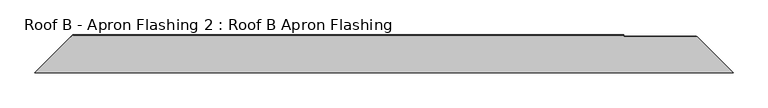
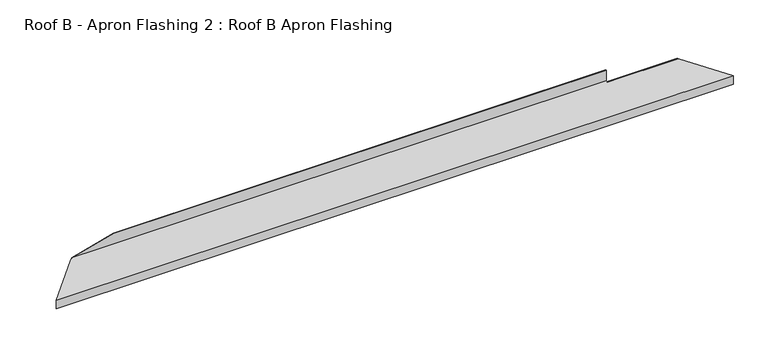
"""IFC4 building model written with IfcOpenShell, lengths in millimetres: proxy geometry, Roof B - Apron Flashing 2 : Roof B Apron Flashing."""

from ifc_helpers import new_model, si_unit, origin, place, context, project, spatial, faceted_brep, source, transform, mapped, element, save


def roof_b_apron_flashing_2_roof_b_apron_flashing_a2a067a0(model_context):
    return source(origin(), model_context, "Body", "Brep", [
        faceted_brep([(152.5949249, -3915.5534225, 3495.6588838), (351.9679069, -3716.1804406, 3549.0807133), (3270.0, -3716.1804406, 3549.0807133), (3270.0, -3722.5045852, 3547.3861639), (3654.3562378, -3722.5045852, 3547.3861639), (3847.4050751, -3915.5534225, 3495.6588838), (351.9679069, -3716.1804406, 3549.8945026), (580.5163547, -3716.1804406, 3611.1338746), (3270.0, -3716.1804406, 3611.1338746), (3270.0, -3717.1804406, 3611.1338746), (580.5163547, -3717.1804406, 3611.1338746), (3270.0, -3717.1804406, 3549.8480403), (351.7945073, -3717.1804406, 3549.8480403), (151.5949249, -3916.5534225, 3496.4262108), (3848.4050751, -3916.5534225, 3496.4262108), (3658.2199411, -3726.3682885, 3547.3861639), (3270.0, -3726.3682885, 3547.3861639), (334.5139863, -3734.4609616, 3545.2177387), (334.5139863, -3733.6343611, 3545.4392256), (151.5949249, -3916.5534225, 3446.4262108), (3848.4050751, -3916.5534225, 3446.4262108), (152.5949249, -3915.5534225, 3446.4262108), (3847.4050751, -3915.5534225, 3446.4262108), (334.5139863, -3733.6343611, 3545.2177387)], [[[0, 1, 2, 3, 4, 5]], [[2, 1, 6, 7, 8]], [[9, 8, 7, 10]], [[11, 9, 10, 12]], [[13, 14, 15, 16, 11, 12, 17, 18]], [[13, 19, 20, 14]], [[19, 21, 22, 20]], [[21, 0, 5, 22]], [[1, 0, 21, 19, 13, 18, 23, 6]], [[14, 20, 22, 5, 4, 15]], [[3, 16, 15, 4]], [[16, 3, 2, 8, 9, 11]], [[23, 17, 12, 10, 7, 6]], [[17, 23, 18]]]),
    ])


if __name__ == "__main__":
    model = new_model("IFC4")
    model_context = context("Model", 3, world=origin())
    ifc_project = project(units=[si_unit("LENGTHUNIT", "METRE", prefix="MILLI")], contexts=[model_context])
    site = spatial("IfcSite", under=ifc_project)
    building = spatial("IfcBuilding", under=site)
    placement = place(None, origin())
    roof_b_apron_flashing_2_roof_b_apron_flashing_shape = roof_b_apron_flashing_2_roof_b_apron_flashing_a2a067a0(model_context)
    element("IfcBuildingElementProxy", 1, Name="Roof B - Apron Flashing 2 : Roof B Apron Flashing", ObjectType="Roof B - Apron Flashing 2 : Roof B Apron Flashing", at=placement, inside=building, context=model_context, shape_type="MappedRepresentation", body=[
        mapped(roof_b_apron_flashing_2_roof_b_apron_flashing_shape, transform((0.0, 0.0, 0.0), x_axis=(1.0, 0.0, 0.0), y_axis=(0.0, 1.0, 0.0), z_axis=(0.0, 0.0, 1.0))),
    ])
    save(model, "model.ifc")
